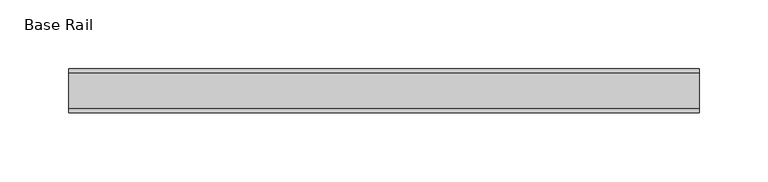
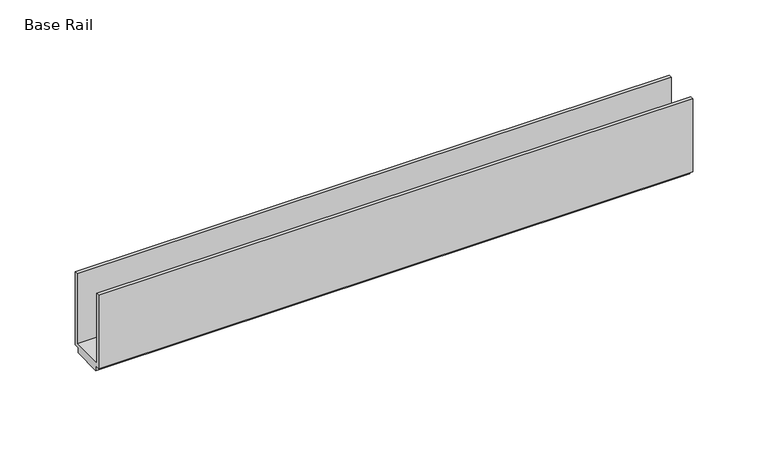
"""IFC4 building model written with IfcOpenShell, lengths in millimetres: furniture geometry, Base Rail."""

from ifc_helpers import new_model, si_unit, frame, origin, place, context, project, spatial, polyline, outline, extrude, source, transform, mapped, element, save


def base_rail_f052c200(model_context):
    return source(origin(), model_context, "Body", "SweptSolid", [
        extrude(outline(polyline([(-0.373195, 4.0000001), (-0.373195, 63.5), (2.4268037, 63.5), (2.4268037, 6.6000002), (28.5768064, 6.6000002), (28.5768064, 63.5), (31.376805, 63.5), (31.376805, 4.0000001), (27.3768063, 4.0000001), (27.3768063, 0.0), (3.6268038, 0.0), (3.6268038, 4.0000001), (-0.373195, 4.0000001)])), frame((-198.6228469, 0.0, 0.0), z_axis=(1.0, 0.0, 0.0), x_axis=(0.0, 1.0, 0.0)), (0.0, 0.0, 1.0), 457.2),
    ])


if __name__ == "__main__":
    model = new_model("IFC4")
    model_context = context("Model", 3, world=origin())
    ifc_project = project(units=[si_unit("LENGTHUNIT", "METRE", prefix="MILLI")], contexts=[model_context])
    site = spatial("IfcSite", under=ifc_project)
    building = spatial("IfcBuilding", under=site)
    placement = place(None, origin())
    base_rail_shape = base_rail_f052c200(model_context)
    element("IfcFurniture", 1, ObjectType="Base Rail", at=placement, inside=building, context=model_context, shape_type="MappedRepresentation", body=[
        mapped(base_rail_shape, transform((0.0, 0.0, 0.0), x_axis=(1.0, 0.0, 0.0), y_axis=(0.0, 1.0, 0.0), z_axis=(0.0, 0.0, 1.0))),
    ])
    save(model, "model.ifc")
